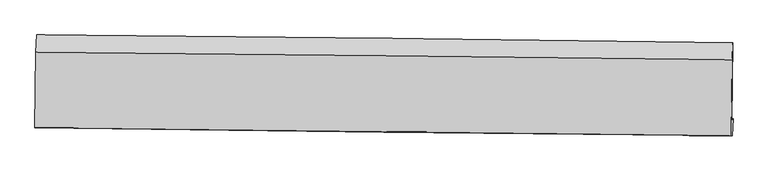
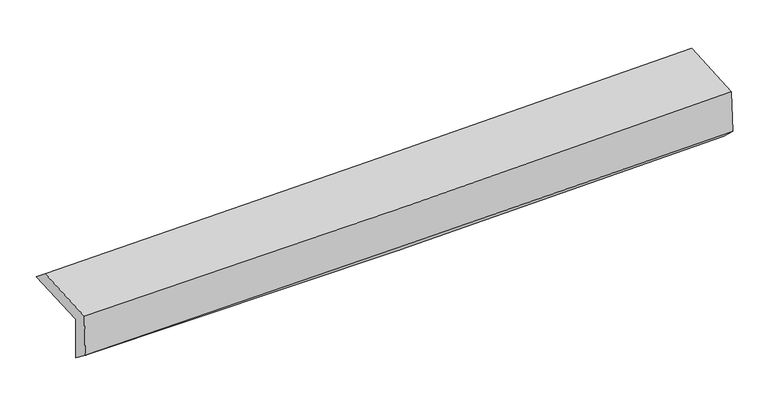
"""IFC4 building model written with IfcOpenShell, lengths in millimetres: proxy geometry."""

from ifc_helpers import new_model, si_unit, frame, origin, place, context, project, spatial, source, transform, mapped, element, save
from ifc_brep_helpers import plane_surface, spline_curve, spline_surface, advanced_brep


def generic_models_aaed91eb(model_context):
    return source(origin(), model_context, "Body", "AdvancedBrep", [
        advanced_brep(
        [(-3033.8000907, -1760.6011142, 1960.1087167), (-3024.9587013, -1106.0642411, 1983.0937457), (3019.5557757, -1175.5113499, 2125.7510155), (3011.6320722, -1845.2097644, 2117.8235157), (-3024.030266, -1746.8746991, 1565.4682018), (3021.8398117, -1832.9386718, 1704.4627042), (-3029.364357, -1909.8139183, 1688.9114081), (3016.5800395, -1982.2983615, 1846.2174629), (-3038.9732469, -1913.4224788, 2082.9069162), (3007.0749747, -1979.3351108, 2238.290276), (-3030.09508, -1256.1629301, 2105.9875559), (3014.2895534, -1320.0568528, 2270.1685198)],
        [
            (0, 1),
            (1, 2, spline_curve(3, [(-3024.9587013, -1106.0642411, 1983.0937457), (-2016.844765364, -1112.780668989, 1977.60859355), (-1009.111574191, -1121.925598138, 1986.75236806), (1005.726685338, -1145.073991507, 2034.300917487), (2012.831653468, -1159.078098432, 2072.709566128), (3019.5557757, -1175.5113499, 2125.7510155)], [4, 2, 4], [0.0, 9.920791683444218, 19.84289681355874])),
            (2, 3),
            (3, 0, spline_curve(3, [(3011.6320722, -1845.2097644, 2117.8235157), (2004.732543356, -1832.362339567, 2060.785670921), (997.463393965, -1818.88739792, 2019.123996116), (-1017.68075837, -1790.684348704, 1966.556467048), (-2025.555663284, -1775.95640677, 1955.646542025), (-3033.8000907, -1760.6011142, 1960.1087167)], [4, 2, 4], [0.0, 9.92210513011452, 19.84289681355874])),
            (4, 0),
            (3, 5),
            (5, 4, spline_curve(3, [(3021.8398117, -1832.9386718, 1704.4627042), (2015.012519865, -1807.597469406, 1651.181879269), (1007.742989079, -1787.754759815, 1612.958821279), (-1007.54715422, -1759.068224612, 1566.631306845), (-2015.567649031, -1750.222943212, 1558.522863901), (-3024.030266, -1746.8746991, 1565.4682018)], [4, 2, 4], [0.0, 9.923391214762665, 19.845468812608537])),
            (6, 4),
            (5, 7),
            (7, 6, spline_curve(3, [(3016.5800395, -1982.2983615, 1846.2174629), (2008.917149313, -1972.368983344, 1817.110280688), (1001.223653012, -1961.363453232, 1789.447079449), (-1014.091153721, -1937.201687291, 1737.012109941), (-2021.712456164, -1924.045736427, 1712.239959667), (-3029.364357, -1909.8139183, 1688.9114081)], [4, 2, 4], [0.0, 9.922729266196828, 19.844145003102838])),
            (8, 6),
            (7, 9),
            (9, 8, spline_curve(3, [(3007.0749747, -1979.3351108, 2238.290276), (1999.602744133, -1968.360846803, 2202.182548919), (991.995917895, -1957.380631456, 2171.179552984), (-1023.353524912, -1935.409752647, 2119.38645092), (-2031.096106011, -1924.419090714, 2098.594993955), (-3038.9732469, -1913.4224788, 2082.9069162)], [4, 2, 4], [0.0, 9.922658050635231, 19.844002581406862])),
            (10, 8),
            (9, 11),
            (11, 10, spline_curve(3, [(3014.2895534, -1320.0568528, 2270.1685198), (2007.005710716, -1308.727733706, 2235.539840384), (999.631723085, -1297.738350657, 2204.543088671), (-1015.163178608, -1276.440466098, 2149.81706217), (-2022.584068665, -1266.131875123, 2126.08682614), (-3030.09508, -1256.1629301, 2105.9875559)], [4, 2, 4], [0.0, 9.921495074495581, 19.841676783077467])),
            (1, 10),
            (11, 2),
        ],
        [
            spline_surface(3, 3, [[(-3033.8000907, -1760.6011142, 1960.1087167), (-2025.555663219, -1775.95640664, 1955.64654203), (-1017.680758281, -1790.684348547, 1966.556467061), (997.463393876, -1818.887398078, 2019.123996103), (2004.732543226, -1832.362339559, 2060.785670795), (3011.6320722, -1845.2097644, 2117.8235157)], [(-3030.852960896, -1542.422156492, 1967.770393014), (-2022.652030635, -1554.897827422, 1962.967225853), (-1014.824363648, -1567.764765093, 1973.288434027), (1000.217824398, -1594.282929182, 2024.182969879), (2007.432246596, -1607.93425919, 2064.76030264), (3014.273306698, -1621.976959567, 2120.466015648)], [(-3027.905831104, -1324.243198808, 1975.432069386), (-2019.748398063, -1333.839248226, 1970.287909735), (-1011.967968972, -1344.845181674, 1980.020401072), (1002.972254964, -1369.67846032, 2029.241943734), (2010.131949972, -1383.506178819, 2068.734934441), (3016.914541202, -1398.744154733, 2123.108515552)], [(-3024.9587013, -1106.0642411, 1983.0937457), (-2016.844765479, -1112.780669007, 1977.608593559), (-1009.111574338, -1121.925598221, 1986.752368038), (1005.726685486, -1145.073991424, 2034.300917509), (2012.831653342, -1159.078098449, 2072.709566286), (3019.5557757, -1175.5113499, 2125.7510155)]], [4, 4], [4, 2, 4], [0.0, 2.203320520877583], [0.0, 9.920791683444218, 19.84289681355874]),
            spline_surface(3, 3, [[(-3024.030266, -1746.8746991, 1565.4682018), (-2015.567649037, -1750.22294336, 1558.522863843), (-1007.54715406, -1759.068224582, 1566.631306814), (1007.742988919, -1787.754759845, 1612.95882131), (2015.012519836, -1807.59746952, 1651.181879139), (3021.8398117, -1832.9386718, 1704.4627042)], [(-3027.286874232, -1751.450170808, 1697.015040122), (-2018.896987096, -1758.800764461, 1690.897423261), (-1010.92502213, -1769.606932569, 1699.939693572), (1004.316457242, -1798.132305922, 1748.347212916), (2011.585860971, -1815.852426211, 1787.716476352), (3018.437231871, -1837.029036012, 1842.249641361)], [(-3030.543482468, -1756.025642492, 1828.561878378), (-2022.226325159, -1767.378585539, 1823.271982612), (-1014.302890212, -1780.14564056, 1833.248080304), (1000.889925553, -1808.509852001, 1883.735604497), (2008.159202091, -1824.107382868, 1924.251073582), (3015.034652029, -1841.119400188, 1980.036578539)], [(-3033.8000907, -1760.6011142, 1960.1087167), (-2025.555663219, -1775.95640664, 1955.64654203), (-1017.680758281, -1790.684348547, 1966.556467061), (997.463393876, -1818.887398078, 2019.123996103), (2004.732543226, -1832.362339559, 2060.785670795), (3011.6320722, -1845.2097644, 2117.8235157)]], [4, 4], [4, 2, 4], [0.0, 1.3267509845892087], [0.0, 9.922077597845872, 19.845468812608537]),
            spline_surface(3, 3, [[(-3029.364357, -1909.8139183, 1688.9114081), (-2021.712456306, -1924.045736472, 1712.239959626), (-1014.091153837, -1937.201687285, 1737.012110018), (1001.223653128, -1961.363453238, 1789.447079372), (2008.917149434, -1972.368983507, 1817.11028053), (3016.5800395, -1982.2983615, 1846.2174629)], [(-3027.58632667, -1855.500845223, 1647.763672667), (-2019.66418722, -1866.104805424, 1661.000927699), (-1011.909820568, -1877.823866402, 1680.218508961), (1003.396765068, -1903.493888792, 1730.617660029), (2010.948939539, -1917.44514551, 1761.800813375), (3018.333296871, -1932.511798266, 1798.965876642)], [(-3025.80829633, -1801.187772177, 1606.615937233), (-2017.615918123, -1808.163874408, 1609.761895771), (-1009.728487329, -1818.446045465, 1623.424907871), (1005.569876979, -1845.624324291, 1671.788240653), (2012.980729731, -1862.521307517, 1706.491346294), (3020.086554329, -1882.725235034, 1751.714290458)], [(-3024.030266, -1746.8746991, 1565.4682018), (-2015.567649037, -1750.22294336, 1558.522863843), (-1007.54715406, -1759.068224582, 1566.631306814), (1007.742988919, -1787.754759845, 1612.95882131), (2015.012519836, -1807.59746952, 1651.181879139), (3021.8398117, -1832.9386718, 1704.4627042)]], [4, 4], [4, 2, 4], [0.0, 0.8106587584167594], [0.0, 9.92141573690601, 19.844145003102838]),
            spline_surface(3, 3, [[(-3038.9732469, -1913.4224788, 2082.9069162), (-2031.096105978, -1924.419090594, 2098.594993828), (-1023.353524922, -1935.409752582, 2119.386451029), (991.995917906, -1957.380631521, 2171.179552874), (1999.602744058, -1968.360846806, 2202.18254899), (3007.0749747, -1979.3351108, 2238.290276)], [(-3035.770283617, -1912.219625326, 1951.575080149), (-2027.968222771, -1924.294639246, 1969.809982409), (-1020.266067884, -1936.007064129, 1991.928337346), (995.071829656, -1958.70823874, 2043.935395027), (2002.707545866, -1969.696892361, 2073.825126202), (3010.243329649, -1980.322861021, 2107.599338332)], [(-3032.567320283, -1911.016771774, 1820.243244151), (-2024.840339513, -1924.17018782, 1841.024971044), (-1017.178610875, -1936.604375737, 1864.470223702), (998.147741378, -1960.035846019, 1916.691237219), (2005.812347626, -1971.032937952, 1945.467703318), (3013.411684551, -1981.310611279, 1976.908400568)], [(-3029.364357, -1909.8139183, 1688.9114081), (-2021.712456306, -1924.045736472, 1712.239959626), (-1014.091153837, -1937.201687285, 1737.012110018), (1001.223653128, -1961.363453238, 1789.447079372), (2008.917149434, -1972.368983507, 1817.11028053), (3016.5800395, -1982.2983615, 1846.2174629)]], [4, 4], [4, 2, 4], [0.0, 1.253858642774935], [0.0, 9.92134453077163, 19.844002581406862]),
            spline_surface(3, 3, [[(-3030.09508, -1256.1629301, 2105.9875559), (-2022.58406872, -1266.131875084, 2126.086826036), (-1015.163178595, -1276.440466221, 2149.817062196), (999.631723072, -1297.738350535, 2204.543088645), (2007.005710742, -1308.727733591, 2235.539840498), (3014.2895534, -1320.0568528, 2270.1685198)], [(-3033.054468973, -1475.249446325, 2098.294009328), (-2025.421414479, -1485.560946912, 2116.922881962), (-1017.893294042, -1496.096895025, 2139.673525165), (997.086454679, -1517.61911088, 2193.421910079), (2004.538055168, -1528.605437998, 2224.420743321), (3011.884693821, -1539.816272135, 2259.542438526)], [(-3036.013857927, -1694.335962575, 2090.600462772), (-2028.258760219, -1704.990018765, 2107.758937902), (-1020.623409475, -1715.753323778, 2129.529988061), (994.541186299, -1737.499871175, 2182.30073144), (2002.070399632, -1748.483142399, 2213.301646167), (3009.479834279, -1759.575691465, 2248.916357274)], [(-3038.9732469, -1913.4224788, 2082.9069162), (-2031.096105978, -1924.419090594, 2098.594993828), (-1023.353524922, -1935.409752582, 2119.386451029), (991.995917906, -1957.380631521, 2171.179552874), (1999.602744058, -1968.360846806, 2202.18254899), (3007.0749747, -1979.3351108, 2238.290276)]], [4, 4], [4, 2, 4], [0.0, 2.1657624760684953], [0.0, 9.920181708581886, 19.841676783077467]),
            spline_surface(3, 3, [[(-3024.9587013, -1106.0642411, 1983.0937457), (-2016.844765479, -1112.780669007, 1977.608593559), (-1009.111574338, -1121.925598221, 1986.752368038), (1005.726685486, -1145.073991424, 2034.300917509), (2012.831653342, -1159.078098449, 2072.709566286), (3019.5557757, -1175.5113499, 2125.7510155)], [(-3026.670827512, -1156.097137427, 2024.05834912), (-2018.757866538, -1163.897737693, 2027.101337738), (-1011.128775761, -1173.430554219, 2041.107266087), (1003.695031344, -1195.962111125, 2091.048307884), (2010.889672498, -1208.961310162, 2126.986324348), (3017.800368289, -1223.693184199, 2173.890183591)], [(-3028.382953788, -1206.130033773, 2065.02295248), (-2020.670967661, -1215.014806398, 2076.594081858), (-1013.145977172, -1224.935510223, 2095.462164147), (1001.663377214, -1246.850230833, 2147.79569827), (2008.947691586, -1258.844521878, 2181.263082436), (3016.044960811, -1271.875018501, 2222.029351709)], [(-3030.09508, -1256.1629301, 2105.9875559), (-2022.58406872, -1266.131875084, 2126.086826036), (-1015.163178595, -1276.440466221, 2149.817062196), (999.631723072, -1297.738350535, 2204.543088645), (2007.005710742, -1308.727733591, 2235.539840498), (3014.2895534, -1320.0568528, 2270.1685198)]], [4, 4], [4, 2, 4], [0.0, 0.7438188746133132], [0.0, 9.919056628754745, 19.83942647447012]),
            plane_surface(frame((3015.1620379, -1689.2250186, 2050.452249), z_axis=(0.999630670723668, -0.01211533286949041, 0.02432572420322129), x_axis=(0.024235298497879386, -0.007555473374694967, -0.9996777306356299))),
            plane_surface(frame((-3030.2036237, -1615.4898969, 1897.7460907), z_axis=(-0.9996029402761395, 0.014353967237967936, -0.024247173357490014), x_axis=(-0.013498304444438452, -0.9992929360658641, -0.035091647239623706))),
        ],
        [
            (0, [[1, 2, 3, 4]]),
            (1, [[5, -4, 6, 7]]),
            (2, [[8, -7, 9, 10]]),
            (3, [[11, -10, 12, 13]]),
            (4, [[14, -13, 15, 16]]),
            (5, [[17, -16, 18, -2]]),
            (6, [[-12, -9, -6, -3, -18, -15]]),
            (7, [[-1, -5, -8, -11, -14, -17]]),
        ],
    ),
    ])


if __name__ == "__main__":
    model = new_model("IFC4")
    model_context = context("Model", 3, world=origin())
    ifc_project = project(units=[si_unit("LENGTHUNIT", "METRE", prefix="MILLI")], contexts=[model_context])
    site = spatial("IfcSite", under=ifc_project)
    building = spatial("IfcBuilding", under=site)
    placement = place(None, origin())
    generic_models_shape = generic_models_aaed91eb(model_context)
    element("IfcBuildingElementProxy", 1, Name="Generic Models", at=placement, inside=building, context=model_context, shape_type="MappedRepresentation", body=[
        mapped(generic_models_shape, transform((0.0, 0.0, 0.0), x_axis=(1.0, 0.0, 0.0), y_axis=(0.0, 1.0, 0.0), z_axis=(0.0, 0.0, 1.0))),
    ])
    save(model, "model.ifc")
